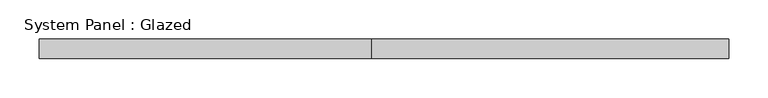
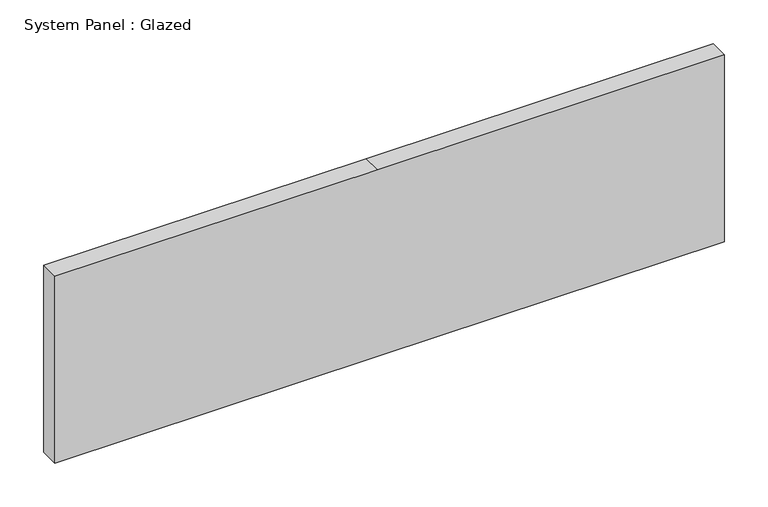
"""IFC4 building model written with IfcOpenShell, lengths in millimetres: plate geometry, System Panel : Glazed."""

from ifc_helpers import new_model, si_unit, frame, origin, place, context, project, spatial, polyline, outline, extrude, source, transform, mapped, element, save


def system_panel_glazed_8762f6a6(model_context):
    return source(origin(), model_context, "Body", "SweptSolid", [
        extrude(outline(polyline([(0.0, -441.325), (0.0, -15.875), (0.0, 441.325), (260.35, 441.325), (260.35, -15.875), (260.35, -441.325), (0.0, -441.325)])), frame((0.0, 19.05, 0.0), z_axis=(0.0, 1.0, 0.0), x_axis=(0.0, 0.0, 1.0)), (0.0, 0.0, 1.0), 25.4),
    ])


if __name__ == "__main__":
    model = new_model("IFC4")
    model_context = context("Model", 3, world=origin())
    ifc_project = project(units=[si_unit("LENGTHUNIT", "METRE", prefix="MILLI")], contexts=[model_context])
    site = spatial("IfcSite", under=ifc_project)
    building = spatial("IfcBuilding", under=site)
    placement = place(None, origin())
    system_panel_glazed_shape = system_panel_glazed_8762f6a6(model_context)
    element("IfcPlate", 1, ObjectType="System Panel : Glazed", at=placement, inside=building, context=model_context, shape_type="MappedRepresentation", body=[
        mapped(system_panel_glazed_shape, transform((0.0, 0.0, 0.0), x_axis=(1.0, 0.0, 0.0), y_axis=(0.0, 1.0, 0.0), z_axis=(0.0, 0.0, 1.0))),
    ])
    save(model, "model.ifc")
